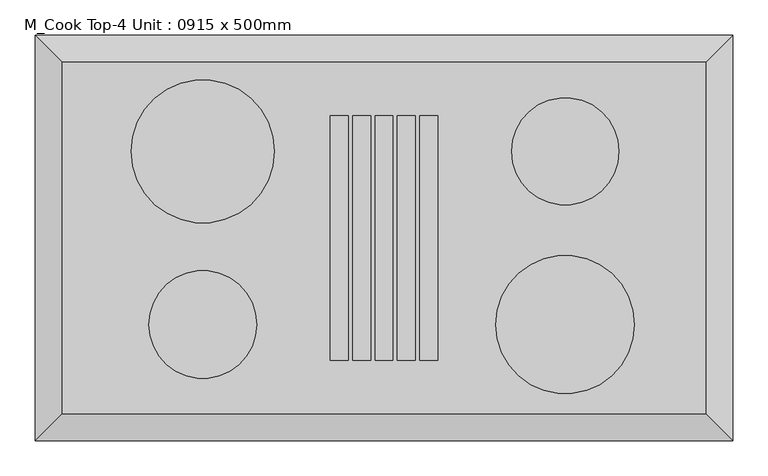
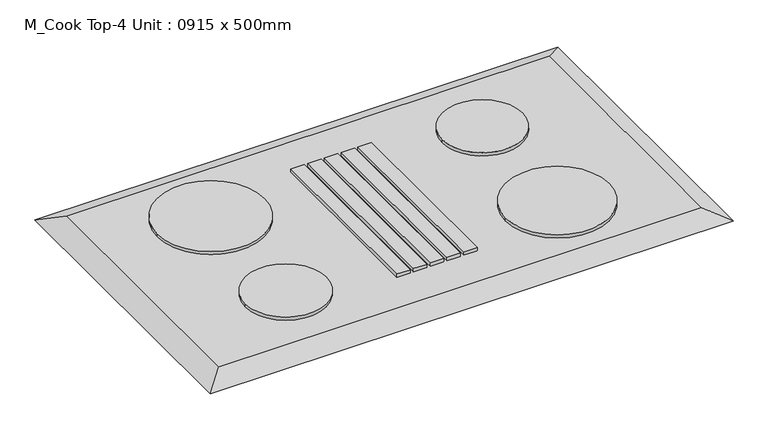
"""IFC4 building model written with IfcOpenShell, lengths in millimetres: proxy geometry, M_Cook Top-4 Unit : 0915 x 500mm."""

from ifc_helpers import new_model, si_unit, point, frame, frame_2d, origin, place, context, project, spatial, polyline, circle_curve, trimmed, segment, composite_curve, outline, extrude, faceted_brep, source, transform, mapped, element, save


def m_cook_top_4_unit_0915_x_500mm_b9fd682a(model_context):
    return source(origin(), model_context, "Body", "SolidModel", [
        extrude(outline(composite_curve([segment(trimmed(circle_curve(frame_2d((-257.5, -123.0)), 76.5869489), [point((-180.9130511, -123.0))], [point((-334.0869489, -123.0))], False, "CARTESIAN"), True, "CONTINUOUS"), segment(trimmed(circle_curve(frame_2d((-257.5, -123.0)), 76.5869489), [point((-334.0869489, -123.0))], [point((-180.9130511, -123.0))], False, "CARTESIAN"), True, "CONTINUOUS")], self_intersect=False)), frame((0.0, 0.0, 918.0), z_axis=(0.0, 0.0, 1.0), x_axis=(1.0, 0.0, 0.0)), (0.0, 0.0, 1.0), 6.35),
        extrude(outline(composite_curve([segment(trimmed(circle_curve(frame_2d((257.5, -123.0)), 98.4), [point((355.9, -123.0))], [point((159.1, -123.0))], False, "CARTESIAN"), True, "CONTINUOUS"), segment(trimmed(circle_curve(frame_2d((257.5, -123.0)), 98.4), [point((159.1, -123.0))], [point((355.9, -123.0))], False, "CARTESIAN"), True, "CONTINUOUS")], self_intersect=False)), frame((0.0, 0.0, 918.0), z_axis=(0.0, 0.0, 1.0), x_axis=(1.0, 0.0, 0.0)), (0.0, 0.0, 1.0), 6.35),
        extrude(outline(composite_curve([segment(trimmed(circle_curve(frame_2d((257.5, 123.0)), 76.2), [point((333.7, 123.0))], [point((181.3, 123.0))], False, "CARTESIAN"), True, "CONTINUOUS"), segment(trimmed(circle_curve(frame_2d((257.5, 123.0)), 76.2), [point((181.3, 123.0))], [point((333.7, 123.0))], False, "CARTESIAN"), True, "CONTINUOUS")], self_intersect=False)), frame((0.0, 0.0, 918.0), z_axis=(0.0, 0.0, 1.0), x_axis=(1.0, 0.0, 0.0)), (0.0, 0.0, 1.0), 6.35),
        extrude(outline(polyline([(-50.8, -173.8), (-76.2, -173.8), (-76.2, 173.8), (-50.8, 173.8), (-50.8, -173.8)])), frame((0.0, 0.0, 918.0), z_axis=(0.0, 0.0, 1.0), x_axis=(1.0, 0.0, 0.0)), (0.0, 0.0, 1.0), 6.35),
        extrude(outline(polyline([(-19.05, -173.8), (-44.45, -173.8), (-44.45, 173.8), (-19.05, 173.8), (-19.05, -173.8)])), frame((0.0, 0.0, 918.0), z_axis=(0.0, 0.0, 1.0), x_axis=(1.0, 0.0, 0.0)), (0.0, 0.0, 1.0), 6.35),
        extrude(outline(polyline([(12.7, -173.8), (-12.7, -173.8), (-12.7, 173.8), (12.7, 173.8), (12.7, -173.8)])), frame((0.0, 0.0, 918.0), z_axis=(0.0, 0.0, 1.0), x_axis=(1.0, 0.0, 0.0)), (0.0, 0.0, 1.0), 6.35),
        extrude(outline(polyline([(44.45, -173.8), (19.05, -173.8), (19.05, 173.8), (44.45, 173.8), (44.45, -173.8)])), frame((0.0, 0.0, 918.0), z_axis=(0.0, 0.0, 1.0), x_axis=(1.0, 0.0, 0.0)), (0.0, 0.0, 1.0), 6.35),
        extrude(outline(polyline([(76.2, -173.8), (50.8, -173.8), (50.8, 173.8), (76.2, 173.8), (76.2, -173.8)])), frame((0.0, 0.0, 918.0), z_axis=(0.0, 0.0, 1.0), x_axis=(1.0, 0.0, 0.0)), (0.0, 0.0, 1.0), 6.35),
        faceted_brep([(457.5, -250.0, 918.0), (457.5, 250.0, 918.0), (-457.5, 250.0, 918.0), (-457.5, -250.0, 918.0), (495.6, -288.1, 900.0), (-495.6, -288.1, 900.0), (-495.6, 288.1, 900.0), (495.6, 288.1, 900.0)], [[[0, 1, 2, 3]], [[4, 5, 6, 7]], [[4, 0, 3, 5]], [[5, 3, 2, 6]], [[6, 2, 1, 7]], [[7, 1, 0, 4]]]),
        extrude(outline(composite_curve([segment(trimmed(circle_curve(frame_2d((-257.5, 123.0)), 101.6), [point((-155.9, 123.0))], [point((-359.1, 123.0))], False, "CARTESIAN"), True, "CONTINUOUS"), segment(trimmed(circle_curve(frame_2d((-257.5, 123.0)), 101.6), [point((-359.1, 123.0))], [point((-155.9, 123.0))], False, "CARTESIAN"), True, "CONTINUOUS")], self_intersect=False)), frame((0.0, 0.0, 918.0), z_axis=(0.0, 0.0, 1.0), x_axis=(1.0, 0.0, 0.0)), (0.0, 0.0, 1.0), 6.35),
    ])


if __name__ == "__main__":
    model = new_model("IFC4")
    model_context = context("Model", 3, world=origin())
    ifc_project = project(units=[si_unit("LENGTHUNIT", "METRE", prefix="MILLI")], contexts=[model_context])
    site = spatial("IfcSite", under=ifc_project)
    building = spatial("IfcBuilding", under=site)
    placement = place(None, origin())
    m_cook_top_4_unit_0915_x_500mm_shape = m_cook_top_4_unit_0915_x_500mm_b9fd682a(model_context)
    element("IfcBuildingElementProxy", 1, Name="M_Cook Top-4 Unit : 0915 x 500mm", ObjectType="M_Cook Top-4 Unit : 0915 x 500mm", at=placement, inside=building, context=model_context, shape_type="MappedRepresentation", body=[
        mapped(m_cook_top_4_unit_0915_x_500mm_shape, transform((0.0, 0.0, 0.0), x_axis=(1.0, 0.0, 0.0), y_axis=(0.0, 1.0, 0.0), z_axis=(0.0, 0.0, 1.0))),
    ])
    save(model, "model.ifc")
